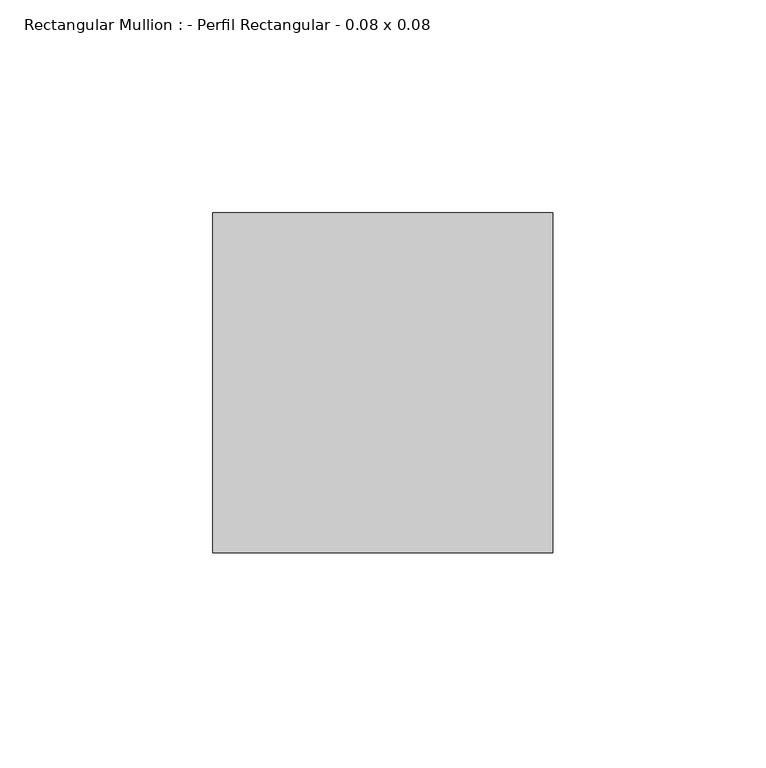
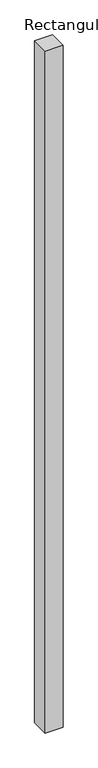
"""IFC4 building model written with IfcOpenShell, lengths in millimetres: member geometry, Rectangular Mullion : - Perfil Rectangular - 0.08 x 0.08."""

from ifc_helpers import new_model, si_unit, frame, origin, place, context, project, spatial, polyline, outline, extrude, source, transform, mapped, element, save


def rectangular_mullion_perfil_rectangular_0_08_x_0_08_a323b861(model_context):
    return source(origin(), model_context, "Body", "SweptSolid", [
        extrude(outline(polyline([(0.0, 80.0), (80.0, 80.0), (80.0, 0.0), (0.0, 0.0), (0.0, 80.0)])), frame((0.0, 0.0, -3190.0), z_axis=(0.0, 0.0, 1.0), x_axis=(1.0, 0.0, 0.0)), (0.0, 0.0, 1.0), 3190.0),
    ])


if __name__ == "__main__":
    model = new_model("IFC4")
    model_context = context("Model", 3, world=origin())
    ifc_project = project(units=[si_unit("LENGTHUNIT", "METRE", prefix="MILLI")], contexts=[model_context])
    site = spatial("IfcSite", under=ifc_project)
    building = spatial("IfcBuilding", under=site)
    placement = place(None, origin())
    rectangular_mullion_perfil_rectangular_0_08_x_0_08_shape = rectangular_mullion_perfil_rectangular_0_08_x_0_08_a323b861(model_context)
    element("IfcMember", 1, ObjectType="Rectangular Mullion : - Perfil Rectangular - 0.08 x 0.08", at=placement, inside=building, context=model_context, shape_type="MappedRepresentation", body=[
        mapped(rectangular_mullion_perfil_rectangular_0_08_x_0_08_shape, transform((0.0, 0.0, 0.0), x_axis=(1.0, 0.0, 0.0), y_axis=(0.0, 1.0, 0.0), z_axis=(0.0, 0.0, 1.0))),
    ])
    save(model, "model.ifc")
